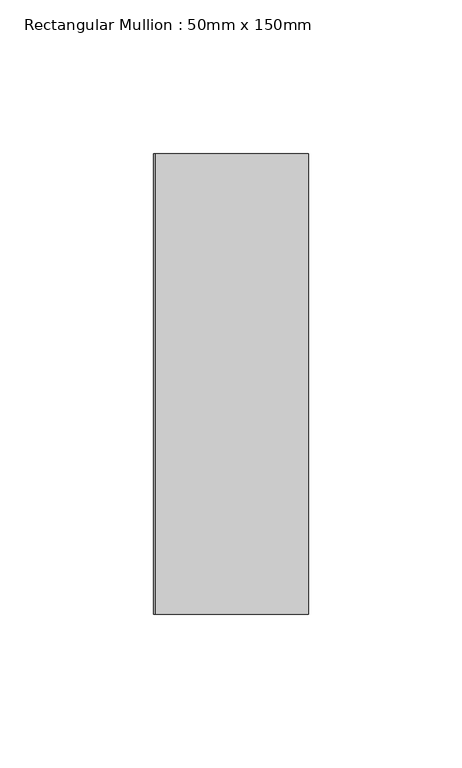
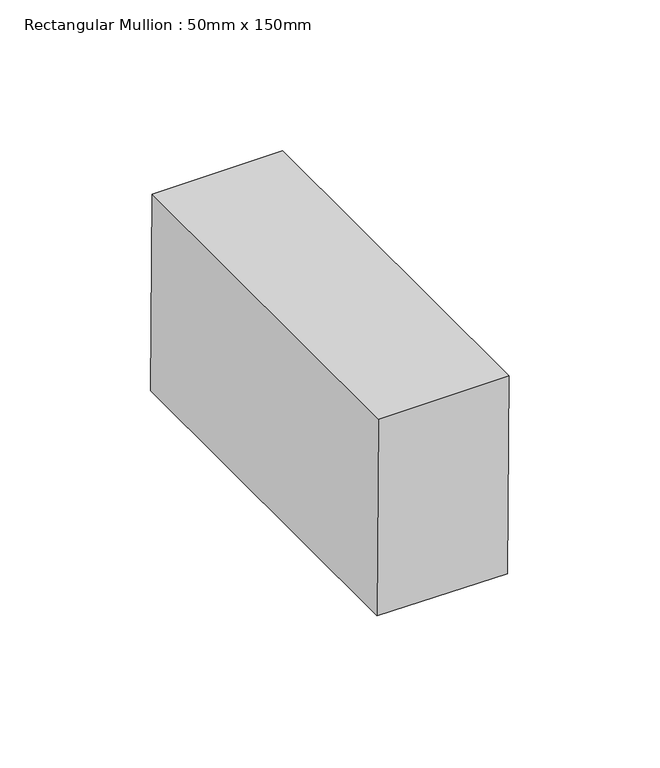
"""IFC4 building model written with IfcOpenShell, lengths in millimetres: member geometry, Rectangular Mullion : 50mm x 150mm."""

from ifc_helpers import new_model, si_unit, point, frame, frame_2d, origin, place, context, project, spatial, polyline, circle_curve, trimmed, segment, composite_curve, outline, extrude, source, transform, mapped, element, save


def rectangular_mullion_50mm_x_150mm_2d75cac8(model_context):
    return source(origin(), model_context, "Body", "SweptSolid", [
        extrude(outline(composite_curve([segment(trimmed(circle_curve(frame_2d((0.0, -6346.1004829)), 6346.1004829), [point((-79.9422435, -0.5035388))], [point((0.0, 0.0))], False, "CARTESIAN"), True, "CONTINUOUS"), segment(polyline([(0.0, 0.0), (0.0, -50.0)]), True, "CONTINUOUS"), segment(trimmed(circle_curve(frame_2d((0.0, -6346.1004829)), 6296.1004829), [point((0.0, -50.0))], [point((-79.3123902, -50.4995715))], True, "CARTESIAN"), True, "CONTINUOUS"), segment(polyline([(-79.3123902, -50.4995715), (-79.9422435, -0.5035388)]), True, "CONTINUOUS")], self_intersect=False)), frame((0.0, -75.0, 0.0), z_axis=(0.0, 1.0, 0.0), x_axis=(0.0, 0.0, 1.0)), (0.0, 0.0, 1.0), 150.0),
    ])


if __name__ == "__main__":
    model = new_model("IFC4")
    model_context = context("Model", 3, world=origin())
    ifc_project = project(units=[si_unit("LENGTHUNIT", "METRE", prefix="MILLI")], contexts=[model_context])
    site = spatial("IfcSite", under=ifc_project)
    building = spatial("IfcBuilding", under=site)
    placement = place(None, origin())
    rectangular_mullion_50mm_x_150mm_shape = rectangular_mullion_50mm_x_150mm_2d75cac8(model_context)
    element("IfcMember", 1, ObjectType="Rectangular Mullion : 50mm x 150mm", at=placement, inside=building, context=model_context, shape_type="MappedRepresentation", body=[
        mapped(rectangular_mullion_50mm_x_150mm_shape, transform((0.0, 0.0, 0.0), x_axis=(1.0, 0.0, 0.0), y_axis=(0.0, 1.0, 0.0), z_axis=(0.0, 0.0, 1.0))),
    ])
    save(model, "model.ifc")
